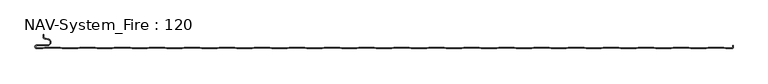
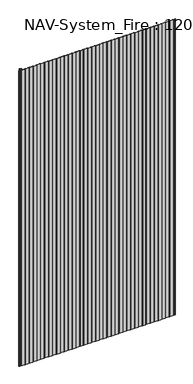
"""IFC4 building model written with IfcOpenShell, lengths in millimetres: plate geometry, NAV-System_Fire : 120."""

from ifc_helpers import new_model, si_unit, frame, origin, place, context, project, spatial, polyline, circle_curve, source, transform, mapped, element, save
from ifc_brep_helpers import plane_surface, cylinder_surface, revolved_surface, advanced_brep


def nav_system_fire_120_a67929fc(model_context):
    return source(origin(), model_context, "Body", "AdvancedBrep", [
        advanced_brep(
        [(-488.8798221, -120.8, 2000.0), (-497.2500001, -120.8, 2000.0), (-497.2500001, -117.4000001, 2000.0), (-481.8502086, -117.4000001, 2000.0), (-480.9923864, -107.5950498, 2000.0), (-485.8625665, -106.7363054, 2000.0), (-487.3500004, -104.9636506, 2000.0), (-487.3500014, -101.6578709, 2000.0), (-488.1500014, -101.6578709, 2000.0), (-488.1500014, -104.9636516, 2000.0), (-486.0014853, -107.5241512, 2000.0), (-481.1313015, -108.382896, 2000.0), (-481.850205, -116.6000001, 2000.0), (-497.2500001, -116.6000001, 2000.0), (-497.2500001, -121.6, 2000.0), (-488.75, -121.6, 2000.0), (-485.75, -120.6, 2000.0), (-463.75, -120.6, 2000.0), (-460.75, -121.6, 2000.0), (-438.75, -121.6, 2000.0), (-435.75, -120.6, 2000.0), (-413.75, -120.6, 2000.0), (-410.75, -121.6, 2000.0), (-388.75, -121.6, 2000.0), (-385.75, -120.6, 2000.0), (-363.75, -120.6, 2000.0), (-360.75, -121.6, 2000.0), (-338.75, -121.6, 2000.0), (-335.75, -120.6, 2000.0), (-313.75, -120.6, 2000.0), (-310.75, -121.6, 2000.0), (-288.75, -121.6, 2000.0), (-285.75, -120.6, 2000.0), (-263.75, -120.6, 2000.0), (-260.75, -121.6, 2000.0), (-238.75, -121.6, 2000.0), (-235.75, -120.6, 2000.0), (-213.75, -120.6, 2000.0), (-210.75, -121.6, 2000.0), (-188.75, -121.6, 2000.0), (-185.75, -120.6, 2000.0), (-163.75, -120.6, 2000.0), (-160.75, -121.6, 2000.0), (-138.75, -121.6, 2000.0), (-135.75, -120.6, 2000.0), (-113.75, -120.6, 2000.0), (-110.75, -121.6, 2000.0), (-88.75, -121.6, 2000.0), (-85.75, -120.6, 2000.0), (-63.75, -120.6, 2000.0), (-60.75, -121.6, 2000.0), (-38.75, -121.6, 2000.0), (-35.75, -120.6, 2000.0), (-13.75, -120.6, 2000.0), (-10.75, -121.6, 2000.0), (11.25, -121.6, 2000.0), (14.25, -120.6, 2000.0), (36.25, -120.6, 2000.0), (39.25, -121.6, 2000.0), (61.25, -121.6, 2000.0), (64.25, -120.6, 2000.0), (86.25, -120.6, 2000.0), (89.25, -121.6, 2000.0), (111.25, -121.6, 2000.0), (114.25, -120.6, 2000.0), (136.25, -120.6, 2000.0), (139.25, -121.6, 2000.0), (161.25, -121.6, 2000.0), (164.25, -120.6, 2000.0), (186.25, -120.6, 2000.0), (189.25, -121.6, 2000.0), (211.25, -121.6, 2000.0), (214.25, -120.6, 2000.0), (236.25, -120.6, 2000.0), (239.25, -121.6, 2000.0), (261.25, -121.6, 2000.0), (264.25, -120.6, 2000.0), (286.25, -120.6, 2000.0), (289.25, -121.6, 2000.0), (311.25, -121.6, 2000.0), (314.25, -120.6, 2000.0), (336.25, -120.6, 2000.0), (339.25, -121.6, 2000.0), (361.25, -121.6, 2000.0), (364.25, -120.6, 2000.0), (386.25, -120.6, 2000.0), (389.25, -121.6, 2000.0), (411.25, -121.6, 2000.0), (414.25, -120.6, 2000.0), (436.25, -120.6, 2000.0), (439.25, -121.6, 2000.0), (461.25, -121.6, 2000.0), (464.25, -120.6, 2000.0), (486.25, -120.6, 2000.0), (489.25, -121.6, 2000.0), (498.2500007, -121.6, 2000.0), (499.75, -120.9228766, 2000.0), (499.75, -116.9390429, 2000.0), (499.4499998, -118.1999953, 2000.0), (499.4499998, -119.5978602, 2000.0), (498.2500017, -120.7999998, 2000.0), (489.3798221, -120.8, 2000.0), (486.3798221, -119.8, 2000.0), (464.1201779, -119.8, 2000.0), (461.1201779, -120.8, 2000.0), (439.3798221, -120.8, 2000.0), (436.3798221, -119.8, 2000.0), (414.1201779, -119.8, 2000.0), (411.1201779, -120.8, 2000.0), (389.3798221, -120.8, 2000.0), (386.3798221, -119.8, 2000.0), (364.1201779, -119.8, 2000.0), (361.1201779, -120.8, 2000.0), (339.3798221, -120.8, 2000.0), (336.3798221, -119.8, 2000.0), (314.1201779, -119.8, 2000.0), (311.1201779, -120.8, 2000.0), (289.3798221, -120.8, 2000.0), (286.3798221, -119.8, 2000.0), (264.1201779, -119.8, 2000.0), (261.1201779, -120.8, 2000.0), (239.3798221, -120.8, 2000.0), (236.3798221, -119.8, 2000.0), (214.1201779, -119.8, 2000.0), (211.1201779, -120.8, 2000.0), (189.3798221, -120.8, 2000.0), (186.3798221, -119.8, 2000.0), (164.1201779, -119.8, 2000.0), (161.1201779, -120.8, 2000.0), (139.3798221, -120.8, 2000.0), (136.3798221, -119.8, 2000.0), (114.1201779, -119.8, 2000.0), (111.1201779, -120.8, 2000.0), (89.3798221, -120.8, 2000.0), (86.3798221, -119.8, 2000.0), (64.1201779, -119.8, 2000.0), (61.1201779, -120.8, 2000.0), (39.3798221, -120.8, 2000.0), (36.3798221, -119.8, 2000.0), (14.1201779, -119.8, 2000.0), (11.1201779, -120.8, 2000.0), (-10.6201779, -120.8, 2000.0), (-13.6201779, -119.8, 2000.0), (-35.8798221, -119.8, 2000.0), (-38.8798221, -120.8, 2000.0), (-60.6201779, -120.8, 2000.0), (-63.6201779, -119.8, 2000.0), (-85.8798221, -119.8, 2000.0), (-88.8798221, -120.8, 2000.0), (-110.6201779, -120.8, 2000.0), (-113.6201779, -119.8, 2000.0), (-135.8798221, -119.8, 2000.0), (-138.8798221, -120.8, 2000.0), (-160.6201779, -120.8, 2000.0), (-163.6201779, -119.8, 2000.0), (-185.8798221, -119.8, 2000.0), (-188.8798221, -120.8, 2000.0), (-210.6201779, -120.8, 2000.0), (-213.6201779, -119.8, 2000.0), (-235.8798221, -119.8, 2000.0), (-238.8798221, -120.8, 2000.0), (-260.6201779, -120.8, 2000.0), (-263.6201779, -119.8, 2000.0), (-285.8798221, -119.8, 2000.0), (-288.8798221, -120.8, 2000.0), (-310.6201779, -120.8, 2000.0), (-313.6201779, -119.8, 2000.0), (-335.8798221, -119.8, 2000.0), (-338.8798221, -120.8, 2000.0), (-360.6201779, -120.8, 2000.0), (-363.6201779, -119.8, 2000.0), (-385.8798221, -119.8, 2000.0), (-388.8798221, -120.8, 2000.0), (-410.6201779, -120.8, 2000.0), (-413.6201779, -119.8, 2000.0), (-435.8798221, -119.8, 2000.0), (-438.8798221, -120.8, 2000.0), (-460.6201779, -120.8, 2000.0), (-463.6201779, -119.8, 2000.0), (-485.8798221, -119.8, 2000.0), (-488.8798221, -120.8, 0.0), (-485.8798221, -119.8, 0.0), (-463.6201779, -119.8, 0.0), (-460.6201779, -120.8, 0.0), (-438.8798221, -120.8, 0.0), (-435.8798221, -119.8, 0.0), (-413.6201779, -119.8, 0.0), (-410.6201779, -120.8, 0.0), (-388.8798221, -120.8, 0.0), (-385.8798221, -119.8, 0.0), (-363.6201779, -119.8, 0.0), (-360.6201779, -120.8, 0.0), (-338.8798221, -120.8, 0.0), (-335.8798221, -119.8, 0.0), (-313.6201779, -119.8, 0.0), (-310.6201779, -120.8, 0.0), (-288.8798221, -120.8, 0.0), (-285.8798221, -119.8, 0.0), (-263.6201779, -119.8, 0.0), (-260.6201779, -120.8, 0.0), (-238.8798221, -120.8, 0.0), (-235.8798221, -119.8, 0.0), (-213.6201779, -119.8, 0.0), (-210.6201779, -120.8, 0.0), (-188.8798221, -120.8, 0.0), (-185.8798221, -119.8, 0.0), (-163.6201779, -119.8, 0.0), (-160.6201779, -120.8, 0.0), (-138.8798221, -120.8, 0.0), (-135.8798221, -119.8, 0.0), (-113.6201779, -119.8, 0.0), (-110.6201779, -120.8, 0.0), (-88.8798221, -120.8, 0.0), (-85.8798221, -119.8, 0.0), (-63.6201779, -119.8, 0.0), (-60.6201779, -120.8, 0.0), (-38.8798221, -120.8, 0.0), (-35.8798221, -119.8, 0.0), (-13.6201779, -119.8, 0.0), (-10.6201779, -120.8, 0.0), (11.1201779, -120.8, 0.0), (14.1201779, -119.8, 0.0), (36.3798221, -119.8, 0.0), (39.3798221, -120.8, 0.0), (61.1201779, -120.8, 0.0), (64.1201779, -119.8, 0.0), (86.3798221, -119.8, 0.0), (89.3798221, -120.8, 0.0), (111.1201779, -120.8, 0.0), (114.1201779, -119.8, 0.0), (136.3798221, -119.8, 0.0), (139.3798221, -120.8, 0.0), (161.1201779, -120.8, 0.0), (164.1201779, -119.8, 0.0), (186.3798221, -119.8, 0.0), (189.3798221, -120.8, 0.0), (211.1201779, -120.8, 0.0), (214.1201779, -119.8, 0.0), (236.3798221, -119.8, 0.0), (239.3798221, -120.8, 0.0), (261.1201779, -120.8, 0.0), (264.1201779, -119.8, 0.0), (286.3798221, -119.8, 0.0), (289.3798221, -120.8, 0.0), (311.1201779, -120.8, 0.0), (314.1201779, -119.8, 0.0), (336.3798221, -119.8, 0.0), (339.3798221, -120.8, 0.0), (361.1201779, -120.8, 0.0), (364.1201779, -119.8, 0.0), (386.3798221, -119.8, 0.0), (389.3798221, -120.8, 0.0), (411.1201779, -120.8, 0.0), (414.1201779, -119.8, 0.0), (436.3798221, -119.8, 0.0), (439.3798221, -120.8, 0.0), (461.1201779, -120.8, 0.0), (464.1201779, -119.8, 0.0), (486.3798221, -119.8, 0.0), (489.3798221, -120.8, 0.0), (498.2500017, -120.8, 0.0), (499.4499998, -119.5978602, 0.0), (499.4499998, -118.1999953, 0.0), (499.75, -116.9390429, 0.0), (499.75, -120.9228766, 0.0), (498.2500007, -121.6, 0.0), (489.25, -121.6, 0.0), (486.25, -120.6, 0.0), (464.25, -120.6, 0.0), (461.25, -121.6, 0.0), (439.25, -121.6, 0.0), (436.25, -120.6, 0.0), (414.25, -120.6, 0.0), (411.25, -121.6, 0.0), (389.25, -121.6, 0.0), (386.25, -120.6, 0.0), (364.25, -120.6, 0.0), (361.25, -121.6, 0.0), (339.25, -121.6, 0.0), (336.25, -120.6, 0.0), (314.25, -120.6, 0.0), (311.25, -121.6, 0.0), (289.25, -121.6, 0.0), (286.25, -120.6, 0.0), (264.25, -120.6, 0.0), (261.25, -121.6, 0.0), (239.25, -121.6, 0.0), (236.25, -120.6, 0.0), (214.25, -120.6, 0.0), (211.25, -121.6, 0.0), (189.25, -121.6, 0.0), (186.25, -120.6, 0.0), (164.25, -120.6, 0.0), (161.25, -121.6, 0.0), (139.25, -121.6, 0.0), (136.25, -120.6, 0.0), (114.25, -120.6, 0.0), (111.25, -121.6, 0.0), (89.25, -121.6, 0.0), (86.25, -120.6, 0.0), (64.25, -120.6, 0.0), (61.25, -121.6, 0.0), (39.25, -121.6, 0.0), (36.25, -120.6, 0.0), (14.25, -120.6, 0.0), (11.25, -121.6, 0.0), (-10.75, -121.6, 0.0), (-13.75, -120.6, 0.0), (-35.75, -120.6, 0.0), (-38.75, -121.6, 0.0), (-60.75, -121.6, 0.0), (-63.75, -120.6, 0.0), (-85.75, -120.6, 0.0), (-88.75, -121.6, 0.0), (-110.75, -121.6, 0.0), (-113.75, -120.6, 0.0), (-135.75, -120.6, 0.0), (-138.75, -121.6, 0.0), (-160.75, -121.6, 0.0), (-163.75, -120.6, 0.0), (-185.75, -120.6, 0.0), (-188.75, -121.6, 0.0), (-210.75, -121.6, 0.0), (-213.75, -120.6, 0.0), (-235.75, -120.6, 0.0), (-238.75, -121.6, 0.0), (-260.75, -121.6, 0.0), (-263.75, -120.6, 0.0), (-285.75, -120.6, 0.0), (-288.75, -121.6, 0.0), (-310.75, -121.6, 0.0), (-313.75, -120.6, 0.0), (-335.75, -120.6, 0.0), (-338.75, -121.6, 0.0), (-360.75, -121.6, 0.0), (-363.75, -120.6, 0.0), (-385.75, -120.6, 0.0), (-388.75, -121.6, 0.0), (-410.75, -121.6, 0.0), (-413.75, -120.6, 0.0), (-435.75, -120.6, 0.0), (-438.75, -121.6, 0.0), (-460.75, -121.6, 0.0), (-463.75, -120.6, 0.0), (-485.75, -120.6, 0.0), (-488.75, -121.6, 0.0), (-497.2500001, -121.6, 0.0), (-497.2500001, -116.6000001, 0.0), (-481.850205, -116.6000001, 0.0), (-481.1313015, -108.382896, 0.0), (-486.0014853, -107.5241512, 0.0), (-488.1499997, -104.9636516, 0.0), (-488.1500014, -101.6578709, 0.0), (-487.3500014, -101.6578709, 0.0), (-487.3500014, -104.9636506, 0.0), (-485.8625665, -106.7363054, 0.0), (-480.9923864, -107.5950498, 0.0), (-481.8502086, -117.4000001, 0.0), (-497.2500001, -117.4000001, 0.0), (-497.2500001, -120.7999998, 0.0)],
        [
            (0, 1),
            (1, 2, circle_curve(frame((-497.2500001, -119.1, 2000.0), z_axis=(0.0, 0.0, -1.0), x_axis=(1.0, 0.0, 0.0)), 1.6999999)),
            (2, 3),
            (3, 4, circle_curve(frame((-481.8502086, -112.4600001, 2000.0), z_axis=(0.0, 0.0, 1.0), x_axis=(1.0, 0.0, 0.0)), 4.94)),
            (4, 5),
            (5, 6, circle_curve(frame((-485.5499995, -104.9636506, 2000.0), z_axis=(0.0, 0.0, -1.0), x_axis=(1.0, 0.0, 0.0)), 1.8000009)),
            (6, 7),
            (7, 8),
            (8, 9),
            (9, 10, circle_curve(frame((-485.5500002, -104.9636516, 2000.0), z_axis=(0.0, 0.0, 1.0), x_axis=(1.0, 0.0, 0.0)), 2.5999995)),
            (10, 11),
            (11, 12, circle_curve(frame((-481.850205, -112.4600001, 2000.0), z_axis=(0.0, 0.0, -1.0), x_axis=(1.0, 0.0, 0.0)), 4.14)),
            (12, 13),
            (13, 14, circle_curve(frame((-497.2500001, -119.1000001, 2000.0), z_axis=(0.0, 0.0, 1.0), x_axis=(1.0, 0.0, 0.0)), 2.4999999)),
            (14, 15),
            (15, 16),
            (16, 17),
            (17, 18),
            (18, 19),
            (19, 20),
            (20, 21),
            (21, 22),
            (22, 23),
            (23, 24),
            (24, 25),
            (25, 26),
            (26, 27),
            (27, 28),
            (28, 29),
            (29, 30),
            (30, 31),
            (31, 32),
            (32, 33),
            (33, 34),
            (34, 35),
            (35, 36),
            (36, 37),
            (37, 38),
            (38, 39),
            (39, 40),
            (40, 41),
            (41, 42),
            (42, 43),
            (43, 44),
            (44, 45),
            (45, 46),
            (46, 47),
            (47, 48),
            (48, 49),
            (49, 50),
            (50, 51),
            (51, 52),
            (52, 53),
            (53, 54),
            (54, 55),
            (55, 56),
            (56, 57),
            (57, 58),
            (58, 59),
            (59, 60),
            (60, 61),
            (61, 62),
            (62, 63),
            (63, 64),
            (64, 65),
            (65, 66),
            (66, 67),
            (67, 68),
            (68, 69),
            (69, 70),
            (70, 71),
            (71, 72),
            (72, 73),
            (73, 74),
            (74, 75),
            (75, 76),
            (76, 77),
            (77, 78),
            (78, 79),
            (79, 80),
            (80, 81),
            (81, 82),
            (82, 83),
            (83, 84),
            (84, 85),
            (85, 86),
            (86, 87),
            (87, 88),
            (88, 89),
            (89, 90),
            (90, 91),
            (91, 92),
            (92, 93),
            (93, 94),
            (94, 95),
            (95, 96, circle_curve(frame((498.2500007, -119.5999998, 2000.0), z_axis=(0.0, 0.0, 1.0), x_axis=(1.0, 0.0, 0.0)), 2.0000002)),
            (96, 97),
            (97, 98, circle_curve(frame((502.2499995, -118.1999953, 2000.0), z_axis=(0.0, 0.0, 1.0), x_axis=(1.0, 0.0, 0.0)), 2.7999997)),
            (98, 99),
            (99, 100, circle_curve(frame((498.2500017, -119.5999998, 2000.0), z_axis=(0.0, 0.0, -1.0), x_axis=(1.0, 0.0, 0.0)), 1.2)),
            (100, 101),
            (101, 102),
            (102, 103),
            (103, 104),
            (104, 105),
            (105, 106),
            (106, 107),
            (107, 108),
            (108, 109),
            (109, 110),
            (110, 111),
            (111, 112),
            (112, 113),
            (113, 114),
            (114, 115),
            (115, 116),
            (116, 117),
            (117, 118),
            (118, 119),
            (119, 120),
            (120, 121),
            (121, 122),
            (122, 123),
            (123, 124),
            (124, 125),
            (125, 126),
            (126, 127),
            (127, 128),
            (128, 129),
            (129, 130),
            (130, 131),
            (131, 132),
            (132, 133),
            (133, 134),
            (134, 135),
            (135, 136),
            (136, 137),
            (137, 138),
            (138, 139),
            (139, 140),
            (140, 141),
            (141, 142),
            (142, 143),
            (143, 144),
            (144, 145),
            (145, 146),
            (146, 147),
            (147, 148),
            (148, 149),
            (149, 150),
            (150, 151),
            (151, 152),
            (152, 153),
            (153, 154),
            (154, 155),
            (155, 156),
            (156, 157),
            (157, 158),
            (158, 159),
            (159, 160),
            (160, 161),
            (161, 162),
            (162, 163),
            (163, 164),
            (164, 165),
            (165, 166),
            (166, 167),
            (167, 168),
            (168, 169),
            (169, 170),
            (170, 171),
            (171, 172),
            (172, 173),
            (173, 174),
            (174, 175),
            (175, 176),
            (176, 177),
            (177, 178),
            (178, 179),
            (179, 0),
            (180, 181),
            (181, 182),
            (182, 183),
            (183, 184),
            (184, 185),
            (185, 186),
            (186, 187),
            (187, 188),
            (188, 189),
            (189, 190),
            (190, 191),
            (191, 192),
            (192, 193),
            (193, 194),
            (194, 195),
            (195, 196),
            (196, 197),
            (197, 198),
            (198, 199),
            (199, 200),
            (200, 201),
            (201, 202),
            (202, 203),
            (203, 204),
            (204, 205),
            (205, 206),
            (206, 207),
            (207, 208),
            (208, 209),
            (209, 210),
            (210, 211),
            (211, 212),
            (212, 213),
            (213, 214),
            (214, 215),
            (215, 216),
            (216, 217),
            (217, 218),
            (218, 219),
            (219, 220),
            (220, 221),
            (221, 222),
            (222, 223),
            (223, 224),
            (224, 225),
            (225, 226),
            (226, 227),
            (227, 228),
            (228, 229),
            (229, 230),
            (230, 231),
            (231, 232),
            (232, 233),
            (233, 234),
            (234, 235),
            (235, 236),
            (236, 237),
            (237, 238),
            (238, 239),
            (239, 240),
            (240, 241),
            (241, 242),
            (242, 243),
            (243, 244),
            (244, 245),
            (245, 246),
            (246, 247),
            (247, 248),
            (248, 249),
            (249, 250),
            (250, 251),
            (251, 252),
            (252, 253),
            (253, 254),
            (254, 255),
            (255, 256),
            (256, 257),
            (257, 258),
            (258, 259),
            (259, 260),
            (260, 261, circle_curve(frame((498.2500017, -119.5999998, 0.0), z_axis=(0.0, 0.0, 1.0), x_axis=(1.0, 0.0, 0.0)), 1.2)),
            (261, 262),
            (262, 263, circle_curve(frame((502.2499995, -118.1999953, 0.0), z_axis=(0.0, 0.0, -1.0), x_axis=(1.0, 0.0, 0.0)), 2.7999997)),
            (263, 264),
            (264, 265, circle_curve(frame((498.2500007, -119.5999998, 0.0), z_axis=(0.0, 0.0, -1.0), x_axis=(1.0, 0.0, 0.0)), 2.0000002)),
            (265, 266),
            (266, 267),
            (267, 268),
            (268, 269),
            (269, 270),
            (270, 271),
            (271, 272),
            (272, 273),
            (273, 274),
            (274, 275),
            (275, 276),
            (276, 277),
            (277, 278),
            (278, 279),
            (279, 280),
            (280, 281),
            (281, 282),
            (282, 283),
            (283, 284),
            (284, 285),
            (285, 286),
            (286, 287),
            (287, 288),
            (288, 289),
            (289, 290),
            (290, 291),
            (291, 292),
            (292, 293),
            (293, 294),
            (294, 295),
            (295, 296),
            (296, 297),
            (297, 298),
            (298, 299),
            (299, 300),
            (300, 301),
            (301, 302),
            (302, 303),
            (303, 304),
            (304, 305),
            (305, 306),
            (306, 307),
            (307, 308),
            (308, 309),
            (309, 310),
            (310, 311),
            (311, 312),
            (312, 313),
            (313, 314),
            (314, 315),
            (315, 316),
            (316, 317),
            (317, 318),
            (318, 319),
            (319, 320),
            (320, 321),
            (321, 322),
            (322, 323),
            (323, 324),
            (324, 325),
            (325, 326),
            (326, 327),
            (327, 328),
            (328, 329),
            (329, 330),
            (330, 331),
            (331, 332),
            (332, 333),
            (333, 334),
            (334, 335),
            (335, 336),
            (336, 337),
            (337, 338),
            (338, 339),
            (339, 340),
            (340, 341),
            (341, 342),
            (342, 343),
            (343, 344),
            (344, 345),
            (345, 346),
            (346, 347, circle_curve(frame((-497.2500001, -119.1000001, 0.0), z_axis=(0.0, 0.0, -1.0), x_axis=(1.0, 0.0, 0.0)), 2.4999999)),
            (347, 348),
            (348, 349, circle_curve(frame((-481.850205, -112.4600001, 0.0), z_axis=(0.0, 0.0, 1.0), x_axis=(1.0, 0.0, 0.0)), 4.14)),
            (349, 350),
            (350, 351, circle_curve(frame((-485.5500002, -104.9636516, 0.0), z_axis=(0.0, 0.0, -1.0), x_axis=(1.0, 0.0, 0.0)), 2.5999995)),
            (351, 352),
            (352, 353),
            (353, 354),
            (354, 355, circle_curve(frame((-485.5499995, -104.9636506, 0.0), z_axis=(0.0, 0.0, 1.0), x_axis=(1.0, 0.0, 0.0)), 1.8000009)),
            (355, 356),
            (356, 357, circle_curve(frame((-481.8502086, -112.4600001, 0.0), z_axis=(0.0, 0.0, -1.0), x_axis=(1.0, 0.0, 0.0)), 4.94)),
            (357, 358),
            (358, 359, circle_curve(frame((-497.2500001, -119.1, 0.0), z_axis=(0.0, 0.0, 1.0), x_axis=(1.0, 0.0, 0.0)), 1.6999999)),
            (359, 180),
            (14, 346),
            (345, 15),
            (0, 180),
            (359, 1),
            (100, 260),
            (259, 101),
            (258, 102),
            (257, 103),
            (256, 104),
            (255, 105),
            (254, 106),
            (253, 107),
            (252, 108),
            (251, 109),
            (250, 110),
            (249, 111),
            (248, 112),
            (247, 113),
            (246, 114),
            (245, 115),
            (244, 116),
            (243, 117),
            (242, 118),
            (241, 119),
            (240, 120),
            (239, 121),
            (238, 122),
            (237, 123),
            (236, 124),
            (235, 125),
            (234, 126),
            (233, 127),
            (232, 128),
            (231, 129),
            (230, 130),
            (229, 131),
            (228, 132),
            (227, 133),
            (226, 134),
            (225, 135),
            (224, 136),
            (223, 137),
            (222, 138),
            (221, 139),
            (220, 140),
            (219, 141),
            (218, 142),
            (217, 143),
            (216, 144),
            (215, 145),
            (214, 146),
            (213, 147),
            (212, 148),
            (211, 149),
            (210, 150),
            (209, 151),
            (208, 152),
            (207, 153),
            (206, 154),
            (205, 155),
            (204, 156),
            (203, 157),
            (202, 158),
            (201, 159),
            (200, 160),
            (199, 161),
            (198, 162),
            (197, 163),
            (196, 164),
            (195, 165),
            (194, 166),
            (193, 167),
            (192, 168),
            (191, 169),
            (190, 170),
            (189, 171),
            (188, 172),
            (187, 173),
            (186, 174),
            (185, 175),
            (184, 176),
            (183, 177),
            (182, 178),
            (181, 179),
            (344, 16),
            (343, 17),
            (342, 18),
            (341, 19),
            (340, 20),
            (339, 21),
            (338, 22),
            (337, 23),
            (336, 24),
            (335, 25),
            (334, 26),
            (333, 27),
            (332, 28),
            (331, 29),
            (330, 30),
            (329, 31),
            (328, 32),
            (327, 33),
            (326, 34),
            (325, 35),
            (324, 36),
            (323, 37),
            (322, 38),
            (321, 39),
            (320, 40),
            (319, 41),
            (318, 42),
            (317, 43),
            (316, 44),
            (315, 45),
            (314, 46),
            (313, 47),
            (312, 48),
            (311, 49),
            (310, 50),
            (309, 51),
            (308, 52),
            (307, 53),
            (306, 54),
            (305, 55),
            (304, 56),
            (303, 57),
            (302, 58),
            (301, 59),
            (300, 60),
            (299, 61),
            (298, 62),
            (297, 63),
            (296, 64),
            (295, 65),
            (294, 66),
            (293, 67),
            (292, 68),
            (291, 69),
            (290, 70),
            (289, 71),
            (288, 72),
            (287, 73),
            (286, 74),
            (285, 75),
            (284, 76),
            (283, 77),
            (282, 78),
            (281, 79),
            (280, 80),
            (279, 81),
            (278, 82),
            (277, 83),
            (276, 84),
            (275, 85),
            (274, 86),
            (273, 87),
            (272, 88),
            (271, 89),
            (270, 90),
            (269, 91),
            (268, 92),
            (267, 93),
            (266, 94),
            (265, 95),
            (2, 358),
            (357, 3),
            (6, 354),
            (353, 7),
            (352, 8),
            (351, 9),
            (12, 348),
            (347, 13),
            (356, 4),
            (355, 5),
            (350, 10),
            (349, 11),
            (264, 96),
            (262, 98),
            (97, 263),
            (261, 99),
        ],
        [
            plane_surface(frame((-499.75, -121.6, 2000.0), z_axis=(0.0, 0.0, 1.0), x_axis=(-1.0, 0.0, 0.0))),
            plane_surface(frame((-499.75, -121.6, 0.0), z_axis=(0.0, 0.0, -1.0), x_axis=(-1.0, 0.0, 0.0))),
            plane_surface(frame((-497.2500001, -121.6, 2000.0), z_axis=(0.0, -1.0, 0.0), x_axis=(0.0, 0.0, -1.0))),
            plane_surface(frame((-488.8798221, -120.8, 2000.0), z_axis=(0.0, 1.0, 0.0), x_axis=(0.0, 0.0, -1.0))),
            plane_surface(frame((498.2500017, -120.8, 2000.0), z_axis=(0.0, 1.0, 0.0), x_axis=(0.0, 0.0, -1.0))),
            plane_surface(frame((489.3798221, -120.8, 2000.0), z_axis=(0.31622776601669583, 0.9486832980505612, 0.0), x_axis=(0.0, 0.0, -1.0))),
            plane_surface(frame((486.3798221, -119.8, 2000.0), z_axis=(0.0, 1.0, 0.0), x_axis=(0.0, 0.0, -1.0))),
            plane_surface(frame((464.1201779, -119.8, 2000.0), z_axis=(-0.31622776601680463, 0.948683298050525, 0.0), x_axis=(0.0, 0.0, -1.0))),
            plane_surface(frame((461.1201779, -120.8, 2000.0), z_axis=(0.0, 1.0, 0.0), x_axis=(0.0, 0.0, -1.0))),
            plane_surface(frame((439.3798221, -120.8, 2000.0), z_axis=(0.3162277660167412, 0.9486832980505461, 0.0), x_axis=(0.0, 0.0, -1.0))),
            plane_surface(frame((436.3798221, -119.8, 2000.0), z_axis=(0.0, 1.0, 0.0), x_axis=(0.0, 0.0, -1.0))),
            plane_surface(frame((414.1201779, -119.8, 2000.0), z_axis=(-0.3162277660167537, 0.948683298050542, 0.0), x_axis=(0.0, 0.0, -1.0))),
            plane_surface(frame((411.1201779, -120.8, 2000.0), z_axis=(0.0, 1.0, 0.0), x_axis=(0.0, 0.0, -1.0))),
            plane_surface(frame((389.3798221, -120.8, 2000.0), z_axis=(0.31622776601679214, 0.9486832980505291, 0.0), x_axis=(0.0, 0.0, -1.0))),
            plane_surface(frame((386.3798221, -119.8, 2000.0), z_axis=(0.0, 1.0, 0.0), x_axis=(0.0, 0.0, -1.0))),
            plane_surface(frame((364.1201779, -119.8, 2000.0), z_axis=(-0.31622776601680463, 0.948683298050525, 0.0), x_axis=(0.0, 0.0, -1.0))),
            plane_surface(frame((361.1201779, -120.8, 2000.0), z_axis=(0.0, 1.0, 0.0), x_axis=(0.0, 0.0, -1.0))),
            plane_surface(frame((339.3798221, -120.8, 2000.0), z_axis=(0.3162277660167412, 0.9486832980505461, 0.0), x_axis=(0.0, 0.0, -1.0))),
            plane_surface(frame((336.3798221, -119.8, 2000.0), z_axis=(0.0, 1.0, 0.0), x_axis=(0.0, 0.0, -1.0))),
            plane_surface(frame((314.1201779, -119.8, 2000.0), z_axis=(-0.3162277660167537, 0.948683298050542, 0.0), x_axis=(0.0, 0.0, -1.0))),
            plane_surface(frame((311.1201779, -120.8, 2000.0), z_axis=(0.0, 1.0, 0.0), x_axis=(0.0, 0.0, -1.0))),
            plane_surface(frame((289.3798221, -120.8, 2000.0), z_axis=(0.31622776601679214, 0.9486832980505291, 0.0), x_axis=(0.0, 0.0, -1.0))),
            plane_surface(frame((286.3798221, -119.8, 2000.0), z_axis=(0.0, 1.0, 0.0), x_axis=(0.0, 0.0, -1.0))),
            plane_surface(frame((264.1201779, -119.8, 2000.0), z_axis=(-0.31622776601680463, 0.948683298050525, 0.0), x_axis=(0.0, 0.0, -1.0))),
            plane_surface(frame((261.1201779, -120.8, 2000.0), z_axis=(0.0, 1.0, 0.0), x_axis=(0.0, 0.0, -1.0))),
            plane_surface(frame((239.3798221, -120.8, 2000.0), z_axis=(0.3162277660167412, 0.9486832980505461, 0.0), x_axis=(0.0, 0.0, -1.0))),
            plane_surface(frame((236.3798221, -119.8, 2000.0), z_axis=(0.0, 1.0, 0.0), x_axis=(0.0, 0.0, -1.0))),
            plane_surface(frame((214.1201779, -119.8, 2000.0), z_axis=(-0.3162277660167537, 0.948683298050542, 0.0), x_axis=(0.0, 0.0, -1.0))),
            plane_surface(frame((211.1201779, -120.8, 2000.0), z_axis=(0.0, 1.0, 0.0), x_axis=(0.0, 0.0, -1.0))),
            plane_surface(frame((189.3798221, -120.8, 2000.0), z_axis=(0.31622776601679214, 0.9486832980505291, 0.0), x_axis=(0.0, 0.0, -1.0))),
            plane_surface(frame((186.3798221, -119.8, 2000.0), z_axis=(0.0, 1.0, 0.0), x_axis=(0.0, 0.0, -1.0))),
            plane_surface(frame((164.1201779, -119.8, 2000.0), z_axis=(-0.31622776601680463, 0.948683298050525, 0.0), x_axis=(0.0, 0.0, -1.0))),
            plane_surface(frame((161.1201779, -120.8, 2000.0), z_axis=(0.0, 1.0, 0.0), x_axis=(0.0, 0.0, -1.0))),
            plane_surface(frame((139.3798221, -120.8, 2000.0), z_axis=(0.3162277660167412, 0.9486832980505461, 0.0), x_axis=(0.0, 0.0, -1.0))),
            plane_surface(frame((136.3798221, -119.8, 2000.0), z_axis=(0.0, 1.0, 0.0), x_axis=(0.0, 0.0, -1.0))),
            plane_surface(frame((114.1201779, -119.8, 2000.0), z_axis=(-0.3162277660167537, 0.948683298050542, 0.0), x_axis=(0.0, 0.0, -1.0))),
            plane_surface(frame((111.1201779, -120.8, 2000.0), z_axis=(0.0, 1.0, 0.0), x_axis=(0.0, 0.0, -1.0))),
            plane_surface(frame((89.3798221, -120.8, 2000.0), z_axis=(0.3162277660167412, 0.9486832980505461, 0.0), x_axis=(0.0, 0.0, -1.0))),
            plane_surface(frame((86.3798221, -119.8, 2000.0), z_axis=(0.0, 1.0, 0.0), x_axis=(0.0, 0.0, -1.0))),
            plane_surface(frame((64.1201779, -119.8, 2000.0), z_axis=(-0.3162277660167537, 0.948683298050542, 0.0), x_axis=(0.0, 0.0, -1.0))),
            plane_surface(frame((61.1201779, -120.8, 2000.0), z_axis=(0.0, 1.0, 0.0), x_axis=(0.0, 0.0, -1.0))),
            plane_surface(frame((39.3798221, -120.8, 2000.0), z_axis=(0.31622776601679214, 0.9486832980505291, 0.0), x_axis=(0.0, 0.0, -1.0))),
            plane_surface(frame((36.3798221, -119.8, 2000.0), z_axis=(0.0, 1.0, 0.0), x_axis=(0.0, 0.0, -1.0))),
            plane_surface(frame((14.1201779, -119.8, 2000.0), z_axis=(-0.31622776601680463, 0.948683298050525, 0.0), x_axis=(0.0, 0.0, -1.0))),
            plane_surface(frame((11.1201779, -120.8, 2000.0), z_axis=(0.0, 1.0, 0.0), x_axis=(0.0, 0.0, -1.0))),
            plane_surface(frame((-10.6201779, -120.8, 2000.0), z_axis=(0.3162277660167412, 0.9486832980505461, 0.0), x_axis=(0.0, 0.0, -1.0))),
            plane_surface(frame((-13.6201779, -119.8, 2000.0), z_axis=(0.0, 1.0, 0.0), x_axis=(0.0, 0.0, -1.0))),
            plane_surface(frame((-35.8798221, -119.8, 2000.0), z_axis=(-0.3162277660167537, 0.948683298050542, 0.0), x_axis=(0.0, 0.0, -1.0))),
            plane_surface(frame((-38.8798221, -120.8, 2000.0), z_axis=(0.0, 1.0, 0.0), x_axis=(0.0, 0.0, -1.0))),
            plane_surface(frame((-60.6201779, -120.8, 2000.0), z_axis=(0.31622776601679214, 0.9486832980505291, 0.0), x_axis=(0.0, 0.0, -1.0))),
            plane_surface(frame((-63.6201779, -119.8, 2000.0), z_axis=(0.0, 1.0, 0.0), x_axis=(0.0, 0.0, -1.0))),
            plane_surface(frame((-85.8798221, -119.8, 2000.0), z_axis=(-0.31622776601680463, 0.948683298050525, 0.0), x_axis=(0.0, 0.0, -1.0))),
            plane_surface(frame((-88.8798221, -120.8, 2000.0), z_axis=(0.0, 1.0, 0.0), x_axis=(0.0, 0.0, -1.0))),
            plane_surface(frame((-110.6201779, -120.8, 2000.0), z_axis=(0.3162277660167412, 0.9486832980505461, 0.0), x_axis=(0.0, 0.0, -1.0))),
            plane_surface(frame((-113.6201779, -119.8, 2000.0), z_axis=(0.0, 1.0, 0.0), x_axis=(0.0, 0.0, -1.0))),
            plane_surface(frame((-135.8798221, -119.8, 2000.0), z_axis=(-0.3162277660167537, 0.948683298050542, 0.0), x_axis=(0.0, 0.0, -1.0))),
            plane_surface(frame((-138.8798221, -120.8, 2000.0), z_axis=(0.0, 1.0, 0.0), x_axis=(0.0, 0.0, -1.0))),
            plane_surface(frame((-160.6201779, -120.8, 2000.0), z_axis=(0.31622776601679214, 0.9486832980505291, 0.0), x_axis=(0.0, 0.0, -1.0))),
            plane_surface(frame((-163.6201779, -119.8, 2000.0), z_axis=(0.0, 1.0, 0.0), x_axis=(0.0, 0.0, -1.0))),
            plane_surface(frame((-185.8798221, -119.8, 2000.0), z_axis=(-0.3162277660168057, 0.9486832980505246, 0.0), x_axis=(0.0, 0.0, -1.0))),
            plane_surface(frame((-188.8798221, -120.8, 2000.0), z_axis=(0.0, 1.0, 0.0), x_axis=(0.0, 0.0, -1.0))),
            plane_surface(frame((-210.6201779, -120.8, 2000.0), z_axis=(0.3162277660167412, 0.9486832980505461, 0.0), x_axis=(0.0, 0.0, -1.0))),
            plane_surface(frame((-213.6201779, -119.8, 2000.0), z_axis=(0.0, 1.0, 0.0), x_axis=(0.0, 0.0, -1.0))),
            plane_surface(frame((-235.8798221, -119.8, 2000.0), z_axis=(-0.3162277660167537, 0.948683298050542, 0.0), x_axis=(0.0, 0.0, -1.0))),
            plane_surface(frame((-238.8798221, -120.8, 2000.0), z_axis=(0.0, 1.0, 0.0), x_axis=(0.0, 0.0, -1.0))),
            plane_surface(frame((-260.6201779, -120.8, 2000.0), z_axis=(0.31622776601679214, 0.9486832980505291, 0.0), x_axis=(0.0, 0.0, -1.0))),
            plane_surface(frame((-263.6201779, -119.8, 2000.0), z_axis=(0.0, 1.0, 0.0), x_axis=(0.0, 0.0, -1.0))),
            plane_surface(frame((-285.8798221, -119.8, 2000.0), z_axis=(-0.31622776601680463, 0.948683298050525, 0.0), x_axis=(0.0, 0.0, -1.0))),
            plane_surface(frame((-288.8798221, -120.8, 2000.0), z_axis=(0.0, 1.0, 0.0), x_axis=(0.0, 0.0, -1.0))),
            plane_surface(frame((-310.6201779, -120.8, 2000.0), z_axis=(0.3162277660167412, 0.9486832980505461, 0.0), x_axis=(0.0, 0.0, -1.0))),
            plane_surface(frame((-313.6201779, -119.8, 2000.0), z_axis=(0.0, 1.0, 0.0), x_axis=(0.0, 0.0, -1.0))),
            plane_surface(frame((-335.8798221, -119.8, 2000.0), z_axis=(-0.3162277660167537, 0.948683298050542, 0.0), x_axis=(0.0, 0.0, -1.0))),
            plane_surface(frame((-338.8798221, -120.8, 2000.0), z_axis=(0.0, 1.0, 0.0), x_axis=(0.0, 0.0, -1.0))),
            plane_surface(frame((-360.6201779, -120.8, 2000.0), z_axis=(0.31622776601679214, 0.9486832980505291, 0.0), x_axis=(0.0, 0.0, -1.0))),
            plane_surface(frame((-363.6201779, -119.8, 2000.0), z_axis=(0.0, 1.0, 0.0), x_axis=(0.0, 0.0, -1.0))),
            plane_surface(frame((-385.8798221, -119.8, 2000.0), z_axis=(-0.31622776601680463, 0.948683298050525, 0.0), x_axis=(0.0, 0.0, -1.0))),
            plane_surface(frame((-388.8798221, -120.8, 2000.0), z_axis=(0.0, 1.0, 0.0), x_axis=(0.0, 0.0, -1.0))),
            plane_surface(frame((-410.6201779, -120.8, 2000.0), z_axis=(0.31622776601679214, 0.9486832980505291, 0.0), x_axis=(0.0, 0.0, -1.0))),
            plane_surface(frame((-413.6201779, -119.8, 2000.0), z_axis=(0.0, 1.0, 0.0), x_axis=(0.0, 0.0, -1.0))),
            plane_surface(frame((-435.8798221, -119.8, 2000.0), z_axis=(-0.31622776601680463, 0.948683298050525, 0.0), x_axis=(0.0, 0.0, -1.0))),
            plane_surface(frame((-438.8798221, -120.8, 2000.0), z_axis=(0.0, 1.0, 0.0), x_axis=(0.0, 0.0, -1.0))),
            plane_surface(frame((-460.6201779, -120.8, 2000.0), z_axis=(0.3162277660167412, 0.9486832980505461, 0.0), x_axis=(0.0, 0.0, -1.0))),
            plane_surface(frame((-463.6201779, -119.8, 2000.0), z_axis=(0.0, 1.0, 0.0), x_axis=(0.0, 0.0, -1.0))),
            plane_surface(frame((-485.8798221, -119.8, 2000.0), z_axis=(-0.3162277660167414, 0.9486832980505461, 0.0), x_axis=(0.0, 0.0, -1.0))),
            plane_surface(frame((-488.75, -121.6, 2000.0), z_axis=(0.31622776601671876, -0.9486832980505536, 0.0), x_axis=(0.0, 0.0, -1.0))),
            plane_surface(frame((-485.75, -120.6, 2000.0), z_axis=(0.0, -1.0, 0.0), x_axis=(0.0, 0.0, -1.0))),
            plane_surface(frame((-463.75, -120.6, 2000.0), z_axis=(-0.31622776601671854, -0.9486832980505536, 0.0), x_axis=(0.0, 0.0, -1.0))),
            plane_surface(frame((-460.75, -121.6, 2000.0), z_axis=(0.0, -1.0, 0.0), x_axis=(0.0, 0.0, -1.0))),
            plane_surface(frame((-438.75, -121.6, 2000.0), z_axis=(0.31622776601678765, -0.9486832980505306, 0.0), x_axis=(0.0, 0.0, -1.0))),
            plane_surface(frame((-435.75, -120.6, 2000.0), z_axis=(0.0, -1.0, 0.0), x_axis=(0.0, 0.0, -1.0))),
            plane_surface(frame((-413.75, -120.6, 2000.0), z_axis=(-0.3162277660167751, -0.9486832980505348, 0.0), x_axis=(0.0, 0.0, -1.0))),
            plane_surface(frame((-410.75, -121.6, 2000.0), z_axis=(0.0, -1.0, 0.0), x_axis=(0.0, 0.0, -1.0))),
            plane_surface(frame((-388.75, -121.6, 2000.0), z_axis=(0.31622776601678765, -0.9486832980505306, 0.0), x_axis=(0.0, 0.0, -1.0))),
            plane_surface(frame((-385.75, -120.6, 2000.0), z_axis=(0.0, -1.0, 0.0), x_axis=(0.0, 0.0, -1.0))),
            plane_surface(frame((-363.75, -120.6, 2000.0), z_axis=(-0.3162277660167751, -0.9486832980505348, 0.0), x_axis=(0.0, 0.0, -1.0))),
            plane_surface(frame((-360.75, -121.6, 2000.0), z_axis=(0.0, -1.0, 0.0), x_axis=(0.0, 0.0, -1.0))),
            plane_surface(frame((-338.75, -121.6, 2000.0), z_axis=(0.316227766016731, -0.9486832980505495, 0.0), x_axis=(0.0, 0.0, -1.0))),
            plane_surface(frame((-335.75, -120.6, 2000.0), z_axis=(0.0, -1.0, 0.0), x_axis=(0.0, 0.0, -1.0))),
            plane_surface(frame((-313.75, -120.6, 2000.0), z_axis=(-0.31622776601671854, -0.9486832980505536, 0.0), x_axis=(0.0, 0.0, -1.0))),
            plane_surface(frame((-310.75, -121.6, 2000.0), z_axis=(0.0, -1.0, 0.0), x_axis=(0.0, 0.0, -1.0))),
            plane_surface(frame((-288.75, -121.6, 2000.0), z_axis=(0.31622776601678765, -0.9486832980505306, 0.0), x_axis=(0.0, 0.0, -1.0))),
            plane_surface(frame((-285.75, -120.6, 2000.0), z_axis=(0.0, -1.0, 0.0), x_axis=(0.0, 0.0, -1.0))),
            plane_surface(frame((-263.75, -120.6, 2000.0), z_axis=(-0.3162277660167751, -0.9486832980505348, 0.0), x_axis=(0.0, 0.0, -1.0))),
            plane_surface(frame((-260.75, -121.6, 2000.0), z_axis=(0.0, -1.0, 0.0), x_axis=(0.0, 0.0, -1.0))),
            plane_surface(frame((-238.75, -121.6, 2000.0), z_axis=(0.316227766016731, -0.9486832980505495, 0.0), x_axis=(0.0, 0.0, -1.0))),
            plane_surface(frame((-235.75, -120.6, 2000.0), z_axis=(0.0, -1.0, 0.0), x_axis=(0.0, 0.0, -1.0))),
            plane_surface(frame((-213.75, -120.6, 2000.0), z_axis=(-0.31622776601671854, -0.9486832980505536, 0.0), x_axis=(0.0, 0.0, -1.0))),
            plane_surface(frame((-210.75, -121.6, 2000.0), z_axis=(0.0, -1.0, 0.0), x_axis=(0.0, 0.0, -1.0))),
            plane_surface(frame((-188.75, -121.6, 2000.0), z_axis=(0.3162277660168057, -0.9486832980505246, 0.0), x_axis=(0.0, 0.0, -1.0))),
            plane_surface(frame((-185.75, -120.6, 2000.0), z_axis=(0.0, -1.0, 0.0), x_axis=(0.0, 0.0, -1.0))),
            plane_surface(frame((-163.75, -120.6, 2000.0), z_axis=(-0.3162277660167751, -0.9486832980505348, 0.0), x_axis=(0.0, 0.0, -1.0))),
            plane_surface(frame((-160.75, -121.6, 2000.0), z_axis=(0.0, -1.0, 0.0), x_axis=(0.0, 0.0, -1.0))),
            plane_surface(frame((-138.75, -121.6, 2000.0), z_axis=(0.316227766016731, -0.9486832980505495, 0.0), x_axis=(0.0, 0.0, -1.0))),
            plane_surface(frame((-135.75, -120.6, 2000.0), z_axis=(0.0, -1.0, 0.0), x_axis=(0.0, 0.0, -1.0))),
            plane_surface(frame((-113.75, -120.6, 2000.0), z_axis=(-0.31622776601671854, -0.9486832980505536, 0.0), x_axis=(0.0, 0.0, -1.0))),
            plane_surface(frame((-110.75, -121.6, 2000.0), z_axis=(0.0, -1.0, 0.0), x_axis=(0.0, 0.0, -1.0))),
            plane_surface(frame((-88.75, -121.6, 2000.0), z_axis=(0.31622776601678765, -0.9486832980505306, 0.0), x_axis=(0.0, 0.0, -1.0))),
            plane_surface(frame((-85.75, -120.6, 2000.0), z_axis=(0.0, -1.0, 0.0), x_axis=(0.0, 0.0, -1.0))),
            plane_surface(frame((-63.75, -120.6, 2000.0), z_axis=(-0.3162277660167751, -0.9486832980505348, 0.0), x_axis=(0.0, 0.0, -1.0))),
            plane_surface(frame((-60.75, -121.6, 2000.0), z_axis=(0.0, -1.0, 0.0), x_axis=(0.0, 0.0, -1.0))),
            plane_surface(frame((-38.75, -121.6, 2000.0), z_axis=(0.316227766016731, -0.9486832980505495, 0.0), x_axis=(0.0, 0.0, -1.0))),
            plane_surface(frame((-35.75, -120.6, 2000.0), z_axis=(0.0, -1.0, 0.0), x_axis=(0.0, 0.0, -1.0))),
            plane_surface(frame((-13.75, -120.6, 2000.0), z_axis=(-0.31622776601671854, -0.9486832980505536, 0.0), x_axis=(0.0, 0.0, -1.0))),
            plane_surface(frame((-10.75, -121.6, 2000.0), z_axis=(0.0, -1.0, 0.0), x_axis=(0.0, 0.0, -1.0))),
            plane_surface(frame((11.25, -121.6, 2000.0), z_axis=(0.31622776601678765, -0.9486832980505306, 0.0), x_axis=(0.0, 0.0, -1.0))),
            plane_surface(frame((14.25, -120.6, 2000.0), z_axis=(0.0, -1.0, 0.0), x_axis=(0.0, 0.0, -1.0))),
            plane_surface(frame((36.25, -120.6, 2000.0), z_axis=(-0.3162277660167751, -0.9486832980505348, 0.0), x_axis=(0.0, 0.0, -1.0))),
            plane_surface(frame((39.25, -121.6, 2000.0), z_axis=(0.0, -1.0, 0.0), x_axis=(0.0, 0.0, -1.0))),
            plane_surface(frame((61.25, -121.6, 2000.0), z_axis=(0.316227766016731, -0.9486832980505495, 0.0), x_axis=(0.0, 0.0, -1.0))),
            plane_surface(frame((64.25, -120.6, 2000.0), z_axis=(0.0, -1.0, 0.0), x_axis=(0.0, 0.0, -1.0))),
            plane_surface(frame((86.25, -120.6, 2000.0), z_axis=(-0.31622776601671854, -0.9486832980505536, 0.0), x_axis=(0.0, 0.0, -1.0))),
            plane_surface(frame((89.25, -121.6, 2000.0), z_axis=(0.0, -1.0, 0.0), x_axis=(0.0, 0.0, -1.0))),
            plane_surface(frame((111.25, -121.6, 2000.0), z_axis=(0.316227766016731, -0.9486832980505495, 0.0), x_axis=(0.0, 0.0, -1.0))),
            plane_surface(frame((114.25, -120.6, 2000.0), z_axis=(0.0, -1.0, 0.0), x_axis=(0.0, 0.0, -1.0))),
            plane_surface(frame((136.25, -120.6, 2000.0), z_axis=(-0.31622776601671854, -0.9486832980505536, 0.0), x_axis=(0.0, 0.0, -1.0))),
            plane_surface(frame((139.25, -121.6, 2000.0), z_axis=(0.0, -1.0, 0.0), x_axis=(0.0, 0.0, -1.0))),
            plane_surface(frame((161.25, -121.6, 2000.0), z_axis=(0.31622776601678765, -0.9486832980505306, 0.0), x_axis=(0.0, 0.0, -1.0))),
            plane_surface(frame((164.25, -120.6, 2000.0), z_axis=(0.0, -1.0, 0.0), x_axis=(0.0, 0.0, -1.0))),
            plane_surface(frame((186.25, -120.6, 2000.0), z_axis=(-0.3162277660167751, -0.9486832980505348, 0.0), x_axis=(0.0, 0.0, -1.0))),
            plane_surface(frame((189.25, -121.6, 2000.0), z_axis=(0.0, -1.0, 0.0), x_axis=(0.0, 0.0, -1.0))),
            plane_surface(frame((211.25, -121.6, 2000.0), z_axis=(0.316227766016731, -0.9486832980505495, 0.0), x_axis=(0.0, 0.0, -1.0))),
            plane_surface(frame((214.25, -120.6, 2000.0), z_axis=(0.0, -1.0, 0.0), x_axis=(0.0, 0.0, -1.0))),
            plane_surface(frame((236.25, -120.6, 2000.0), z_axis=(-0.31622776601671854, -0.9486832980505536, 0.0), x_axis=(0.0, 0.0, -1.0))),
            plane_surface(frame((239.25, -121.6, 2000.0), z_axis=(0.0, -1.0, 0.0), x_axis=(0.0, 0.0, -1.0))),
            plane_surface(frame((261.25, -121.6, 2000.0), z_axis=(0.31622776601678765, -0.9486832980505306, 0.0), x_axis=(0.0, 0.0, -1.0))),
            plane_surface(frame((264.25, -120.6, 2000.0), z_axis=(0.0, -1.0, 0.0), x_axis=(0.0, 0.0, -1.0))),
            plane_surface(frame((286.25, -120.6, 2000.0), z_axis=(-0.3162277660167751, -0.9486832980505348, 0.0), x_axis=(0.0, 0.0, -1.0))),
            plane_surface(frame((289.25, -121.6, 2000.0), z_axis=(0.0, -1.0, 0.0), x_axis=(0.0, 0.0, -1.0))),
            plane_surface(frame((311.25, -121.6, 2000.0), z_axis=(0.316227766016731, -0.9486832980505495, 0.0), x_axis=(0.0, 0.0, -1.0))),
            plane_surface(frame((314.25, -120.6, 2000.0), z_axis=(0.0, -1.0, 0.0), x_axis=(0.0, 0.0, -1.0))),
            plane_surface(frame((336.25, -120.6, 2000.0), z_axis=(-0.31622776601671854, -0.9486832980505536, 0.0), x_axis=(0.0, 0.0, -1.0))),
            plane_surface(frame((339.25, -121.6, 2000.0), z_axis=(0.0, -1.0, 0.0), x_axis=(0.0, 0.0, -1.0))),
            plane_surface(frame((361.25, -121.6, 2000.0), z_axis=(0.31622776601678765, -0.9486832980505306, 0.0), x_axis=(0.0, 0.0, -1.0))),
            plane_surface(frame((364.25, -120.6, 2000.0), z_axis=(0.0, -1.0, 0.0), x_axis=(0.0, 0.0, -1.0))),
            plane_surface(frame((386.25, -120.6, 2000.0), z_axis=(-0.3162277660167751, -0.9486832980505348, 0.0), x_axis=(0.0, 0.0, -1.0))),
            plane_surface(frame((389.25, -121.6, 2000.0), z_axis=(0.0, -1.0, 0.0), x_axis=(0.0, 0.0, -1.0))),
            plane_surface(frame((411.25, -121.6, 2000.0), z_axis=(0.316227766016731, -0.9486832980505495, 0.0), x_axis=(0.0, 0.0, -1.0))),
            plane_surface(frame((414.25, -120.6, 2000.0), z_axis=(0.0, -1.0, 0.0), x_axis=(0.0, 0.0, -1.0))),
            plane_surface(frame((436.25, -120.6, 2000.0), z_axis=(-0.31622776601671854, -0.9486832980505536, 0.0), x_axis=(0.0, 0.0, -1.0))),
            plane_surface(frame((439.25, -121.6, 2000.0), z_axis=(0.0, -1.0, 0.0), x_axis=(0.0, 0.0, -1.0))),
            plane_surface(frame((461.25, -121.6, 2000.0), z_axis=(0.31622776601678765, -0.9486832980505306, 0.0), x_axis=(0.0, 0.0, -1.0))),
            plane_surface(frame((464.25, -120.6, 2000.0), z_axis=(0.0, -1.0, 0.0), x_axis=(0.0, 0.0, -1.0))),
            plane_surface(frame((486.25, -120.6, 2000.0), z_axis=(-0.3162277660166733, -0.9486832980505688, 0.0), x_axis=(0.0, 0.0, -1.0))),
            plane_surface(frame((489.25, -121.6, 2000.0), z_axis=(0.0, -1.0, 0.0), x_axis=(0.0, 0.0, -1.0))),
            plane_surface(frame((-497.2500001, -117.4000001, 2000.0), z_axis=(0.0, -1.0, 0.0), x_axis=(0.0, 0.0, -1.0))),
            plane_surface(frame((-487.3500014, -104.9636506, 2000.0), z_axis=(1.0, 0.0, 0.0), x_axis=(0.0, 0.0, -1.0))),
            plane_surface(frame((-487.3500014, -101.6578709, 2000.0), z_axis=(0.0, 1.0, 0.0), x_axis=(0.0, 0.0, -1.0))),
            plane_surface(frame((-488.1500014, -101.6578709, 2000.0), z_axis=(-1.0, 0.0, 0.0), x_axis=(0.0, 0.0, -1.0))),
            plane_surface(frame((-481.850205, -116.6000001, 2000.0), z_axis=(0.0, 1.0, 0.0), x_axis=(0.0, 0.0, -1.0))),
            revolved_surface(polyline([(-495.5500002, -119.1, 0.0), (-495.5500002, -119.1, 2000.0)]), (-497.2500001, -119.1, 2000.0), (0.0, 0.0, -1.0)),
            cylinder_surface(frame((-481.8502086, -112.4600001, 2000.0), z_axis=(0.0, 0.0, 1.0), x_axis=(1.0, 0.0, 0.0)), 4.94),
            plane_surface(frame((-480.9923864, -107.5950498, 2000.0), z_axis=(0.17364822279076958, 0.9848077450556567, 0.0), x_axis=(0.0, 0.0, -1.0))),
            revolved_surface(polyline([(-483.7499986, -104.9636506, 0.0), (-483.7499986, -104.9636506, 2000.0)]), (-485.5499995, -104.9636506, 2000.0), (0.0, 0.0, -1.0)),
            cylinder_surface(frame((-485.5500002, -104.9636516, 2000.0), z_axis=(0.0, 0.0, 1.0), x_axis=(1.0, 0.0, 0.0)), 2.5999995),
            plane_surface(frame((-486.0014853, -107.5241512, 2000.0), z_axis=(-0.17364817295915438, -0.984807753842316, 0.0), x_axis=(0.0, 0.0, -1.0))),
            revolved_surface(polyline([(-477.71020500000003, -112.4600001, 0.0), (-477.71020500000003, -112.4600001, 2000.0)]), (-481.850205, -112.4600001, 2000.0), (0.0, 0.0, -1.0)),
            cylinder_surface(frame((-497.2500001, -119.1000001, 2000.0), z_axis=(0.0, 0.0, 1.0), x_axis=(1.0, 0.0, 0.0)), 2.4999999),
            cylinder_surface(frame((498.2500007, -119.5999998, 2000.0), z_axis=(0.0, 0.0, 1.0), x_axis=(1.0, 0.0, 0.0)), 2.0000002),
            cylinder_surface(frame((502.2499995, -118.1999953, 2000.0), z_axis=(0.0, 0.0, 1.0), x_axis=(1.0, 0.0, 0.0)), 2.7999997),
            plane_surface(frame((499.4499998, -118.1999953, 2000.0), z_axis=(-1.0, 0.0, 0.0), x_axis=(0.0, 0.0, -1.0))),
            revolved_surface(polyline([(499.4500017, -119.5999998, 0.0), (499.4500017, -119.5999998, 2000.0)]), (498.2500017, -119.5999998, 2000.0), (0.0, 0.0, -1.0)),
            plane_surface(frame((499.75, 100.0, 2000.0), z_axis=(1.0, 0.0, 0.0), x_axis=(0.0, 0.0, -1.0))),
        ],
        [
            (0, [[1, 2, 3, 4, 5, 6, 7, 8, 9, 10, 11, 12, 13, 14, 15, 16, 17, 18, 19, 20, 21, 22, 23, 24, 25, 26, 27, 28, 29, 30, 31, 32, 33, 34, 35, 36, 37, 38, 39, 40, 41, 42, 43, 44, 45, 46, 47, 48, 49, 50, 51, 52, 53, 54, 55, 56, 57, 58, 59, 60, 61, 62, 63, 64, 65, 66, 67, 68, 69, 70, 71, 72, 73, 74, 75, 76, 77, 78, 79, 80, 81, 82, 83, 84, 85, 86, 87, 88, 89, 90, 91, 92, 93, 94, 95, 96, 97, 98, 99, 100, 101, 102, 103, 104, 105, 106, 107, 108, 109, 110, 111, 112, 113, 114, 115, 116, 117, 118, 119, 120, 121, 122, 123, 124, 125, 126, 127, 128, 129, 130, 131, 132, 133, 134, 135, 136, 137, 138, 139, 140, 141, 142, 143, 144, 145, 146, 147, 148, 149, 150, 151, 152, 153, 154, 155, 156, 157, 158, 159, 160, 161, 162, 163, 164, 165, 166, 167, 168, 169, 170, 171, 172, 173, 174, 175, 176, 177, 178, 179, 180]]),
            (1, [[181, 182, 183, 184, 185, 186, 187, 188, 189, 190, 191, 192, 193, 194, 195, 196, 197, 198, 199, 200, 201, 202, 203, 204, 205, 206, 207, 208, 209, 210, 211, 212, 213, 214, 215, 216, 217, 218, 219, 220, 221, 222, 223, 224, 225, 226, 227, 228, 229, 230, 231, 232, 233, 234, 235, 236, 237, 238, 239, 240, 241, 242, 243, 244, 245, 246, 247, 248, 249, 250, 251, 252, 253, 254, 255, 256, 257, 258, 259, 260, 261, 262, 263, 264, 265, 266, 267, 268, 269, 270, 271, 272, 273, 274, 275, 276, 277, 278, 279, 280, 281, 282, 283, 284, 285, 286, 287, 288, 289, 290, 291, 292, 293, 294, 295, 296, 297, 298, 299, 300, 301, 302, 303, 304, 305, 306, 307, 308, 309, 310, 311, 312, 313, 314, 315, 316, 317, 318, 319, 320, 321, 322, 323, 324, 325, 326, 327, 328, 329, 330, 331, 332, 333, 334, 335, 336, 337, 338, 339, 340, 341, 342, 343, 344, 345, 346, 347, 348, 349, 350, 351, 352, 353, 354, 355, 356, 357, 358, 359, 360]]),
            (2, [[-15, 361, -346, 362]]),
            (3, [[-1, 363, -360, 364]]),
            (4, [[-101, 365, -260, 366]]),
            (5, [[-102, -366, -259, 367]]),
            (6, [[-103, -367, -258, 368]]),
            (7, [[-104, -368, -257, 369]]),
            (8, [[-105, -369, -256, 370]]),
            (9, [[-106, -370, -255, 371]]),
            (10, [[-107, -371, -254, 372]]),
            (11, [[-108, -372, -253, 373]]),
            (12, [[-109, -373, -252, 374]]),
            (13, [[-110, -374, -251, 375]]),
            (14, [[-111, -375, -250, 376]]),
            (15, [[-112, -376, -249, 377]]),
            (16, [[-113, -377, -248, 378]]),
            (17, [[-114, -378, -247, 379]]),
            (18, [[-115, -379, -246, 380]]),
            (19, [[-116, -380, -245, 381]]),
            (20, [[-117, -381, -244, 382]]),
            (21, [[-118, -382, -243, 383]]),
            (22, [[-119, -383, -242, 384]]),
            (23, [[-120, -384, -241, 385]]),
            (24, [[-121, -385, -240, 386]]),
            (25, [[-122, -386, -239, 387]]),
            (26, [[-123, -387, -238, 388]]),
            (27, [[-124, -388, -237, 389]]),
            (28, [[-125, -389, -236, 390]]),
            (29, [[-126, -390, -235, 391]]),
            (30, [[-127, -391, -234, 392]]),
            (31, [[-128, -392, -233, 393]]),
            (32, [[-129, -393, -232, 394]]),
            (33, [[-130, -394, -231, 395]]),
            (34, [[-131, -395, -230, 396]]),
            (35, [[-132, -396, -229, 397]]),
            (36, [[-133, -397, -228, 398]]),
            (37, [[-134, -398, -227, 399]]),
            (38, [[-135, -399, -226, 400]]),
            (39, [[-136, -400, -225, 401]]),
            (40, [[-137, -401, -224, 402]]),
            (41, [[-138, -402, -223, 403]]),
            (42, [[-139, -403, -222, 404]]),
            (43, [[-140, -404, -221, 405]]),
            (44, [[-141, -405, -220, 406]]),
            (45, [[-142, -406, -219, 407]]),
            (46, [[-143, -407, -218, 408]]),
            (47, [[-144, -408, -217, 409]]),
            (48, [[-145, -409, -216, 410]]),
            (49, [[-146, -410, -215, 411]]),
            (50, [[-147, -411, -214, 412]]),
            (51, [[-148, -412, -213, 413]]),
            (52, [[-149, -413, -212, 414]]),
            (53, [[-150, -414, -211, 415]]),
            (54, [[-151, -415, -210, 416]]),
            (55, [[-152, -416, -209, 417]]),
            (56, [[-153, -417, -208, 418]]),
            (57, [[-154, -418, -207, 419]]),
            (58, [[-155, -419, -206, 420]]),
            (59, [[-156, -420, -205, 421]]),
            (60, [[-157, -421, -204, 422]]),
            (61, [[-158, -422, -203, 423]]),
            (62, [[-159, -423, -202, 424]]),
            (63, [[-160, -424, -201, 425]]),
            (64, [[-161, -425, -200, 426]]),
            (65, [[-162, -426, -199, 427]]),
            (66, [[-163, -427, -198, 428]]),
            (67, [[-164, -428, -197, 429]]),
            (68, [[-165, -429, -196, 430]]),
            (69, [[-166, -430, -195, 431]]),
            (70, [[-167, -431, -194, 432]]),
            (71, [[-168, -432, -193, 433]]),
            (72, [[-169, -433, -192, 434]]),
            (73, [[-170, -434, -191, 435]]),
            (74, [[-171, -435, -190, 436]]),
            (75, [[-172, -436, -189, 437]]),
            (76, [[-173, -437, -188, 438]]),
            (77, [[-174, -438, -187, 439]]),
            (78, [[-175, -439, -186, 440]]),
            (79, [[-176, -440, -185, 441]]),
            (80, [[-177, -441, -184, 442]]),
            (81, [[-178, -442, -183, 443]]),
            (82, [[-179, -443, -182, 444]]),
            (83, [[-180, -444, -181, -363]]),
            (84, [[-16, -362, -345, 445]]),
            (85, [[-17, -445, -344, 446]]),
            (86, [[-18, -446, -343, 447]]),
            (87, [[-19, -447, -342, 448]]),
            (88, [[-20, -448, -341, 449]]),
            (89, [[-21, -449, -340, 450]]),
            (90, [[-22, -450, -339, 451]]),
            (91, [[-23, -451, -338, 452]]),
            (92, [[-24, -452, -337, 453]]),
            (93, [[-25, -453, -336, 454]]),
            (94, [[-26, -454, -335, 455]]),
            (95, [[-27, -455, -334, 456]]),
            (96, [[-28, -456, -333, 457]]),
            (97, [[-29, -457, -332, 458]]),
            (98, [[-30, -458, -331, 459]]),
            (99, [[-31, -459, -330, 460]]),
            (100, [[-32, -460, -329, 461]]),
            (101, [[-33, -461, -328, 462]]),
            (102, [[-34, -462, -327, 463]]),
            (103, [[-35, -463, -326, 464]]),
            (104, [[-36, -464, -325, 465]]),
            (105, [[-37, -465, -324, 466]]),
            (106, [[-38, -466, -323, 467]]),
            (107, [[-39, -467, -322, 468]]),
            (108, [[-40, -468, -321, 469]]),
            (109, [[-41, -469, -320, 470]]),
            (110, [[-42, -470, -319, 471]]),
            (111, [[-43, -471, -318, 472]]),
            (112, [[-44, -472, -317, 473]]),
            (113, [[-45, -473, -316, 474]]),
            (114, [[-46, -474, -315, 475]]),
            (115, [[-47, -475, -314, 476]]),
            (116, [[-48, -476, -313, 477]]),
            (117, [[-49, -477, -312, 478]]),
            (118, [[-50, -478, -311, 479]]),
            (119, [[-51, -479, -310, 480]]),
            (120, [[-52, -480, -309, 481]]),
            (121, [[-53, -481, -308, 482]]),
            (122, [[-54, -482, -307, 483]]),
            (123, [[-55, -483, -306, 484]]),
            (124, [[-56, -484, -305, 485]]),
            (125, [[-57, -485, -304, 486]]),
            (126, [[-58, -486, -303, 487]]),
            (127, [[-59, -487, -302, 488]]),
            (128, [[-60, -488, -301, 489]]),
            (129, [[-61, -489, -300, 490]]),
            (130, [[-62, -490, -299, 491]]),
            (131, [[-63, -491, -298, 492]]),
            (132, [[-64, -492, -297, 493]]),
            (133, [[-65, -493, -296, 494]]),
            (134, [[-66, -494, -295, 495]]),
            (135, [[-67, -495, -294, 496]]),
            (136, [[-68, -496, -293, 497]]),
            (137, [[-69, -497, -292, 498]]),
            (138, [[-70, -498, -291, 499]]),
            (139, [[-71, -499, -290, 500]]),
            (140, [[-72, -500, -289, 501]]),
            (141, [[-73, -501, -288, 502]]),
            (142, [[-74, -502, -287, 503]]),
            (143, [[-75, -503, -286, 504]]),
            (144, [[-76, -504, -285, 505]]),
            (145, [[-77, -505, -284, 506]]),
            (146, [[-78, -506, -283, 507]]),
            (147, [[-79, -507, -282, 508]]),
            (148, [[-80, -508, -281, 509]]),
            (149, [[-81, -509, -280, 510]]),
            (150, [[-82, -510, -279, 511]]),
            (151, [[-83, -511, -278, 512]]),
            (152, [[-84, -512, -277, 513]]),
            (153, [[-85, -513, -276, 514]]),
            (154, [[-86, -514, -275, 515]]),
            (155, [[-87, -515, -274, 516]]),
            (156, [[-88, -516, -273, 517]]),
            (157, [[-89, -517, -272, 518]]),
            (158, [[-90, -518, -271, 519]]),
            (159, [[-91, -519, -270, 520]]),
            (160, [[-92, -520, -269, 521]]),
            (161, [[-93, -521, -268, 522]]),
            (162, [[-94, -522, -267, 523]]),
            (163, [[-95, -523, -266, 524]]),
            (164, [[-3, 525, -358, 526]]),
            (165, [[-7, 527, -354, 528]]),
            (166, [[-8, -528, -353, 529]]),
            (167, [[-9, -529, -352, 530]]),
            (168, [[-13, 531, -348, 532]]),
            (169, [[-2, -364, -359, -525]]),
            (170, [[-4, -526, -357, 533]]),
            (171, [[-5, -533, -356, 534]]),
            (172, [[-6, -534, -355, -527]]),
            (173, [[-10, -530, -351, 535]]),
            (174, [[-11, -535, -350, 536]]),
            (175, [[-12, -536, -349, -531]]),
            (176, [[-14, -532, -347, -361]]),
            (177, [[-524, -265, 537, -96]]),
            (178, [[538, -98, 539, -263]]),
            (179, [[-99, -538, -262, 540]]),
            (180, [[-100, -540, -261, -365]]),
            (181, [[-97, -537, -264, -539]]),
        ],
    ),
    ])


if __name__ == "__main__":
    model = new_model("IFC4")
    model_context = context("Model", 3, world=origin())
    ifc_project = project(units=[si_unit("LENGTHUNIT", "METRE", prefix="MILLI")], contexts=[model_context])
    site = spatial("IfcSite", under=ifc_project)
    building = spatial("IfcBuilding", under=site)
    placement = place(None, origin())
    nav_system_fire_120_shape = nav_system_fire_120_a67929fc(model_context)
    element("IfcPlate", 1, ObjectType="NAV-System_Fire : 120", at=placement, inside=building, context=model_context, shape_type="MappedRepresentation", body=[
        mapped(nav_system_fire_120_shape, transform((0.0, 0.0, 0.0), x_axis=(1.0, 0.0, 0.0), y_axis=(0.0, 1.0, 0.0), z_axis=(0.0, 0.0, 1.0))),
    ])
    save(model, "model.ifc")
